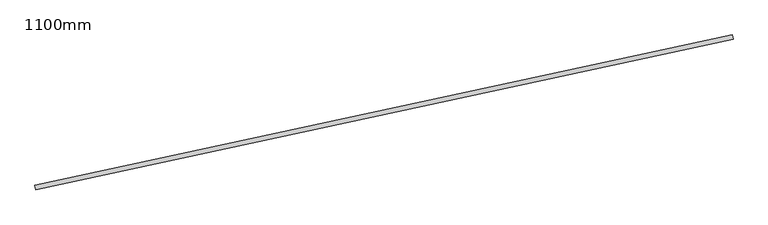
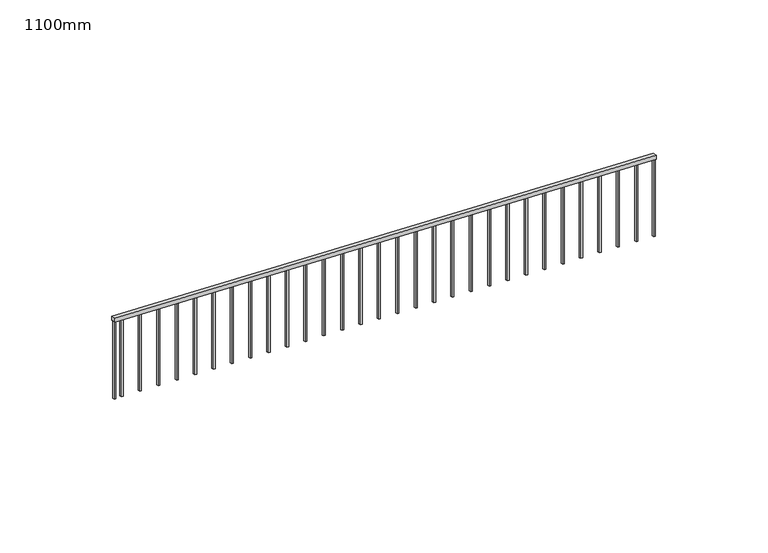
"""IFC4 building model written with IfcOpenShell, lengths in millimetres: railing geometry, 1100mm."""

from ifc_helpers import new_model, si_unit, frame, origin, place, context, project, spatial, polyline, outline, extrude, source, transform, mapped, element, save


def railing_1100mm_aba6e7d3(model_context):
    return source(origin(), model_context, "Body", "SweptSolid", [
        extrude(outline(polyline([(-9.8811033, -50.0), (0.0, 0.0), (8252.8453521, 0.0), (8242.9642488, -50.0), (-9.8811033, -50.0)])), frame((19193.8479245, -110338.9290499, 1100.0), z_axis=(-0.2108447113192484, 0.9775195689645823, 0.0), x_axis=(-0.9589728250154597, -0.20684429741653046, 0.19387252901876165)), (0.0, 0.0, 1.0), 50.0),
        extrude(outline(polyline([(1151.5032649, -25.0), (102.4702758, -25.0), (97.5297242, 0.0), (1146.5627132, 0.0), (1151.5032649, -25.0)])), frame((11383.2748085, -112010.8321869, 2725.0689661), z_axis=(-0.21084471131924798, 0.9775195689645826, 0.0), x_axis=(0.0, 0.0, -1.0)), (0.0, 0.0, 1.0), 25.0),
        extrude(outline(polyline([(1151.5032649, -25.0), (102.4702758, -25.0), (97.5297241, 0.0), (1146.5627132, 0.0), (1151.5032649, -25.0)])), frame((11652.0926899, -111952.8498913, 2670.7228979), z_axis=(-0.21084471131924798, 0.9775195689645826, 0.0), x_axis=(0.0, 0.0, -1.0)), (0.0, 0.0, 1.0), 25.0),
        extrude(outline(polyline([(1151.5032649, -25.0), (102.4702759, -25.0), (97.5297242, 0.0), (1146.5627133, 0.0), (1151.5032649, -25.0)])), frame((11920.9105714, -111894.8675957, 2616.3768298), z_axis=(-0.21084471131924798, 0.9775195689645826, 0.0), x_axis=(0.0, 0.0, -1.0)), (0.0, 0.0, 1.0), 25.0),
        extrude(outline(polyline([(1151.5032649, -25.0), (102.4702758, -25.0), (97.5297242, 0.0), (1146.5627133, 0.0), (1151.5032649, -25.0)])), frame((12189.7284529, -111836.8853001, 2562.0307616), z_axis=(-0.21084471131924798, 0.9775195689645826, 0.0), x_axis=(0.0, 0.0, -1.0)), (0.0, 0.0, 1.0), 25.0),
        extrude(outline(polyline([(1151.5032649, -25.0), (102.4702758, -25.0), (97.5297242, 0.0), (1146.5627132, 0.0), (1151.5032649, -25.0)])), frame((12458.5463343, -111778.9030045, 2507.6846934), z_axis=(-0.21084471131924798, 0.9775195689645826, 0.0), x_axis=(0.0, 0.0, -1.0)), (0.0, 0.0, 1.0), 25.0),
        extrude(outline(polyline([(1151.5032649, -25.0), (102.4702758, -25.0), (97.5297241, 0.0), (1146.5627132, 0.0), (1151.5032649, -25.0)])), frame((12727.3642158, -111720.9207089, 2453.3386252), z_axis=(-0.21084471131924798, 0.9775195689645826, 0.0), x_axis=(0.0, 0.0, -1.0)), (0.0, 0.0, 1.0), 25.0),
        extrude(outline(polyline([(1151.5032649, -25.0), (102.4702759, -25.0), (97.5297242, 0.0), (1146.5627133, 0.0), (1151.5032649, -25.0)])), frame((12996.1820973, -111662.9384133, 2398.9925571), z_axis=(-0.21084471131924798, 0.9775195689645826, 0.0), x_axis=(0.0, 0.0, -1.0)), (0.0, 0.0, 1.0), 25.0),
        extrude(outline(polyline([(1151.5032649, -25.0), (102.4702758, -25.0), (97.5297242, 0.0), (1146.5627132, 0.0), (1151.5032649, -25.0)])), frame((13264.9999787, -111604.9561176, 2344.6464889), z_axis=(-0.21084471131924798, 0.9775195689645826, 0.0), x_axis=(0.0, 0.0, -1.0)), (0.0, 0.0, 1.0), 25.0),
        extrude(outline(polyline([(1151.5032649, -25.0), (102.4702758, -25.0), (97.5297241, 0.0), (1146.5627132, 0.0), (1151.5032649, -25.0)])), frame((13533.8178602, -111546.973822, 2290.3004207), z_axis=(-0.21084471131924798, 0.9775195689645826, 0.0), x_axis=(0.0, 0.0, -1.0)), (0.0, 0.0, 1.0), 25.0),
        extrude(outline(polyline([(1151.5032649, -25.0000001), (102.4702759, -25.0000001), (97.5297242, 0.0), (1146.5627133, 0.0), (1151.5032649, -25.0000001)])), frame((13802.6357416, -111488.9915264, 2235.9543526), z_axis=(-0.21084471131924798, 0.9775195689645826, 0.0), x_axis=(0.0, 0.0, -1.0)), (0.0, 0.0, 1.0), 25.0),
        extrude(outline(polyline([(1151.5032649, -25.0), (102.4702758, -25.0), (97.5297242, 0.0), (1146.5627133, 0.0), (1151.5032649, -25.0)])), frame((14071.4536231, -111431.0092308, 2181.6082844), z_axis=(-0.21084471131924798, 0.9775195689645826, 0.0), x_axis=(0.0, 0.0, -1.0)), (0.0, 0.0, 1.0), 25.0),
        extrude(outline(polyline([(1151.5032649, -25.0), (102.4702758, -25.0), (97.5297242, 0.0), (1146.5627132, 0.0), (1151.5032649, -25.0)])), frame((14340.2715046, -111373.0269352, 2127.2622162), z_axis=(-0.21084471131924798, 0.9775195689645826, 0.0), x_axis=(0.0, 0.0, -1.0)), (0.0, 0.0, 1.0), 25.0),
        extrude(outline(polyline([(1151.5032649, -25.0000001), (102.4702758, -25.0000001), (97.5297241, 0.0), (1146.5627132, 0.0), (1151.5032649, -25.0000001)])), frame((14609.089386, -111315.0446396, 2072.916148), z_axis=(-0.21084471131924798, 0.9775195689645826, 0.0), x_axis=(0.0, 0.0, -1.0)), (0.0, 0.0, 1.0), 25.0),
        extrude(outline(polyline([(1151.5032649, -25.0), (102.4702759, -25.0), (97.5297242, 0.0), (1146.5627133, 0.0), (1151.5032649, -25.0)])), frame((14877.9072675, -111257.062344, 2018.5700799), z_axis=(-0.21084471131924798, 0.9775195689645826, 0.0), x_axis=(0.0, 0.0, -1.0)), (0.0, 0.0, 1.0), 25.0),
        extrude(outline(polyline([(1151.5032649, -25.0), (102.4702758, -25.0), (97.5297242, 0.0), (1146.5627133, 0.0), (1151.5032649, -25.0)])), frame((15146.725149, -111199.0800484, 1964.2240117), z_axis=(-0.21084471131924798, 0.9775195689645826, 0.0), x_axis=(0.0, 0.0, -1.0)), (0.0, 0.0, 1.0), 25.0),
        extrude(outline(polyline([(1151.5032649, -25.0000001), (102.4702758, -25.0000001), (97.5297242, 0.0), (1146.5627132, 0.0), (1151.5032649, -25.0000001)])), frame((15415.5430304, -111141.0977527, 1909.8779435), z_axis=(-0.21084471131924798, 0.9775195689645826, 0.0), x_axis=(0.0, 0.0, -1.0)), (0.0, 0.0, 1.0), 25.0),
        extrude(outline(polyline([(1151.5032649, -25.0), (102.4702758, -25.0), (97.5297241, 0.0), (1146.5627132, 0.0), (1151.5032649, -25.0)])), frame((15684.3609119, -111083.1154571, 1855.5318753), z_axis=(-0.21084471131924798, 0.9775195689645826, 0.0), x_axis=(0.0, 0.0, -1.0)), (0.0, 0.0, 1.0), 25.0),
        extrude(outline(polyline([(1151.5032649, -25.0), (102.4702759, -25.0), (97.5297242, 0.0), (1146.5627133, 0.0), (1151.5032649, -25.0)])), frame((15953.1787934, -111025.1331615, 1801.1858072), z_axis=(-0.21084471131924798, 0.9775195689645826, 0.0), x_axis=(0.0, 0.0, -1.0)), (0.0, 0.0, 1.0), 25.0),
        extrude(outline(polyline([(1151.5032649, -25.0000001), (102.4702758, -25.0000001), (97.5297242, 0.0), (1146.5627133, 0.0), (1151.5032649, -25.0000001)])), frame((16221.9966748, -110967.1508659, 1746.839739), z_axis=(-0.21084471131924798, 0.9775195689645826, 0.0), x_axis=(0.0, 0.0, -1.0)), (0.0, 0.0, 1.0), 25.0),
        extrude(outline(polyline([(1151.5032649, -25.0), (102.4702758, -25.0), (97.5297242, 0.0), (1146.5627132, 0.0), (1151.5032649, -25.0)])), frame((16490.8145563, -110909.1685703, 1692.4936708), z_axis=(-0.21084471131924798, 0.9775195689645826, 0.0), x_axis=(0.0, 0.0, -1.0)), (0.0, 0.0, 1.0), 25.0),
        extrude(outline(polyline([(1151.5032649, -25.0), (102.4702758, -25.0), (97.5297241, 0.0), (1146.5627132, 0.0), (1151.5032649, -25.0)])), frame((16759.6324378, -110851.1862747, 1638.1476026), z_axis=(-0.21084471131924798, 0.9775195689645826, 0.0), x_axis=(0.0, 0.0, -1.0)), (0.0, 0.0, 1.0), 25.0),
        extrude(outline(polyline([(1151.5032649, -25.0000001), (102.4702759, -25.0000001), (97.5297242, 0.0), (1146.5627133, 0.0), (1151.5032649, -25.0000001)])), frame((17028.4503192, -110793.2039791, 1583.8015345), z_axis=(-0.21084471131924798, 0.9775195689645826, 0.0), x_axis=(0.0, 0.0, -1.0)), (0.0, 0.0, 1.0), 25.0),
        extrude(outline(polyline([(1151.5032649, -25.0), (102.4702758, -25.0), (97.5297242, 0.0), (1146.5627133, 0.0), (1151.5032649, -25.0)])), frame((17297.2682007, -110735.2216835, 1529.4554663), z_axis=(-0.21084471131924798, 0.9775195689645826, 0.0), x_axis=(0.0, 0.0, -1.0)), (0.0, 0.0, 1.0), 25.0),
        extrude(outline(polyline([(1151.5032649, -25.0), (102.4702758, -25.0), (97.5297242, 0.0), (1146.5627132, 0.0), (1151.5032649, -25.0)])), frame((17566.0860822, -110677.2393878, 1475.1093981), z_axis=(-0.21084471131924798, 0.9775195689645826, 0.0), x_axis=(0.0, 0.0, -1.0)), (0.0, 0.0, 1.0), 25.0),
        extrude(outline(polyline([(1151.5032649, -25.0), (102.4702758, -25.0), (97.5297241, 0.0), (1146.5627132, 0.0), (1151.5032649, -25.0)])), frame((17834.9039636, -110619.2570922, 1420.7633299), z_axis=(-0.21084471131924798, 0.9775195689645826, 0.0), x_axis=(0.0, 0.0, -1.0)), (0.0, 0.0, 1.0), 25.0),
        extrude(outline(polyline([(1151.5032649, -25.0), (102.4702759, -25.0), (97.5297242, 0.0), (1146.5627133, 0.0), (1151.5032649, -25.0)])), frame((18103.7218451, -110561.2747966, 1366.4172618), z_axis=(-0.21084471131924798, 0.9775195689645826, 0.0), x_axis=(0.0, 0.0, -1.0)), (0.0, 0.0, 1.0), 25.0),
        extrude(outline(polyline([(1151.5032649, -25.0), (102.4702758, -25.0), (97.5297242, 0.0), (1146.5627133, 0.0), (1151.5032649, -25.0)])), frame((18372.5397266, -110503.292501, 1312.0711936), z_axis=(-0.21084471131924798, 0.9775195689645826, 0.0), x_axis=(0.0, 0.0, -1.0)), (0.0, 0.0, 1.0), 25.0),
        extrude(outline(polyline([(1151.5032649, -25.0), (102.4702758, -25.0), (97.5297242, 0.0), (1146.5627132, 0.0), (1151.5032649, -25.0)])), frame((18641.357608, -110445.3102054, 1257.7251254), z_axis=(-0.21084471131924798, 0.9775195689645826, 0.0), x_axis=(0.0, 0.0, -1.0)), (0.0, 0.0, 1.0), 25.0),
        extrude(outline(polyline([(1151.5032649, -25.0), (102.4702758, -25.0), (97.5297241, 0.0), (1146.5627132, 0.0), (1151.5032649, -25.0)])), frame((18910.1754895, -110387.3279098, 1203.3790572), z_axis=(-0.21084471131924798, 0.9775195689645826, 0.0), x_axis=(0.0, 0.0, -1.0)), (0.0, 0.0, 1.0), 25.0),
        extrude(outline(polyline([(1151.503265, -25.0), (102.4702759, -25.0), (97.5297242, 0.0), (1146.5627133, 0.0), (1151.503265, -25.0)])), frame((11276.9579439, -112033.7640538, 2746.5627133), z_axis=(-0.21084471131924798, 0.9775195689645826, 0.0), x_axis=(0.0, 0.0, -1.0)), (0.0, 0.0, 1.0), 25.0),
        extrude(outline(polyline([(1151.5032649, -25.0000001), (102.4702758, -25.0000001), (97.5297242, 0.0), (1146.5627132, 0.0), (1151.5032649, -25.0000001)])), frame((19166.7743763, -110331.9811731, 1151.5032649), z_axis=(-0.21084471131924798, 0.9775195689645826, 0.0), x_axis=(0.0, 0.0, -1.0)), (0.0, 0.0, 1.0), 25.0),
    ])


if __name__ == "__main__":
    model = new_model("IFC4")
    model_context = context("Model", 3, world=origin())
    ifc_project = project(units=[si_unit("LENGTHUNIT", "METRE", prefix="MILLI")], contexts=[model_context])
    site = spatial("IfcSite", under=ifc_project)
    building = spatial("IfcBuilding", under=site)
    placement = place(None, origin())
    railing_1100mm_shape = railing_1100mm_aba6e7d3(model_context)
    element("IfcRailing", 1, ObjectType="1100mm", at=placement, inside=building, context=model_context, shape_type="MappedRepresentation", body=[
        mapped(railing_1100mm_shape, transform((0.0, 0.0, 0.0), x_axis=(1.0, 0.0, 0.0), y_axis=(0.0, 1.0, 0.0), z_axis=(0.0, 0.0, 1.0))),
    ])
    save(model, "model.ifc")
